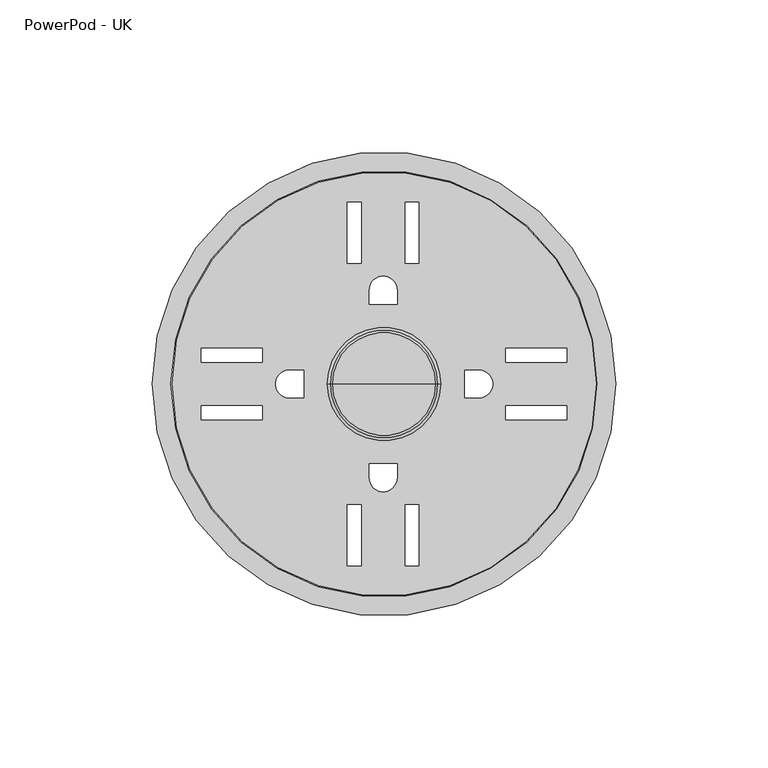
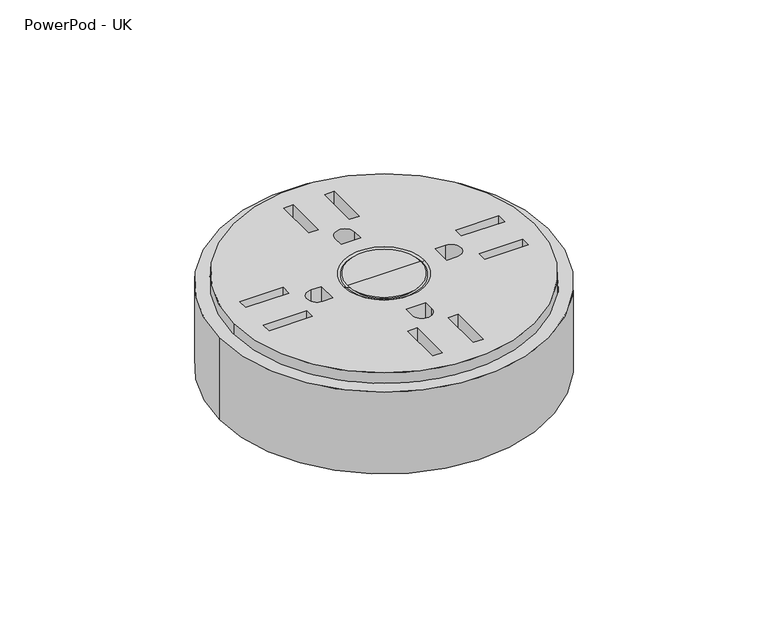
"""IFC4 building model written with IfcOpenShell, lengths in millimetres: furniture geometry, PowerPod - UK."""

from ifc_helpers import new_model, si_unit, point, frame, frame_2d, origin, place, context, project, spatial, polyline, circle_curve, ellipse_curve, trimmed, segment, composite_curve, outline, extrude, source, transform, mapped, element, save
from ifc_brep_helpers import plane_surface, cylinder_surface, revolved_surface, advanced_brep


def powerpod_uk_ea50888e(model_context):
    return source(origin(), model_context, "Body", "SolidModel", [
        advanced_brep(
        [(-87.0042842, 0.0, 57.882), (-226.3957158, 0.0, 57.882), (-196.6698501, -7.1864138, 57.882), (-196.6698501, -11.7386413, 57.882), (-216.7274522, -11.7386413, 57.882), (-216.7274522, -7.1864138, 57.882), (-196.6698501, 7.1864138, 57.882), (-216.7274522, 7.1864138, 57.882), (-216.7274522, 11.7386413, 57.882), (-196.6698501, 11.7386413, 57.882), (-187.8477203, 4.5522276, 57.882), (-183.1425754, 4.5522276, 57.882), (-183.1425754, -4.5522276, 57.882), (-187.8477203, -4.5522276, 57.882), (-96.6725478, -11.7386413, 57.882), (-116.7301499, -11.7386413, 57.882), (-116.7301499, -7.1864138, 57.882), (-96.6725478, -7.1864138, 57.882), (-96.6725478, 11.7386413, 57.882), (-96.6725478, 7.1864138, 57.882), (-116.7301499, 7.1864138, 57.882), (-116.7301499, 11.7386413, 57.882), (-130.2574246, -4.5522276, 57.882), (-130.2574246, 4.5522276, 57.882), (-125.5522797, 4.5522276, 57.882), (-125.5522797, -4.5522276, 57.882), (-149.8135862, 39.6698501, 57.882), (-149.8135862, 59.7274522, 57.882), (-145.2613587, 59.7274522, 57.882), (-145.2613587, 39.6698501, 57.882), (-164.1864138, 59.7274522, 57.882), (-164.1864138, 39.6698501, 57.882), (-168.7386413, 39.6698501, 57.882), (-168.7386413, 59.7274522, 57.882), (-161.5522276, 26.1425754, 57.882), (-161.5522276, 30.8477203, 57.882), (-152.4477724, 30.8477203, 57.882), (-152.4477724, 26.1425754, 57.882), (-145.2613587, -59.7274522, 57.882), (-149.8135862, -59.7274522, 57.882), (-149.8135862, -39.6698501, 57.882), (-145.2613587, -39.6698501, 57.882), (-168.7386413, -39.6698501, 57.882), (-164.1864138, -39.6698501, 57.882), (-164.1864138, -59.7274522, 57.882), (-168.7386413, -59.7274522, 57.882), (-152.4477724, -30.8477203, 57.882), (-161.5522276, -30.8477203, 57.882), (-161.5522276, -26.1425754, 57.882), (-152.4477724, -26.1425754, 57.882), (-175.3625231, 0.0, 57.882), (-138.0958971, 0.0, 57.882), (-87.0042842, 0.0, 12.882), (-226.3957158, 0.0, 12.882), (-196.6698501, -11.7386413, 12.882), (-196.6698501, -7.1864138, 12.882), (-216.7274522, -7.1864138, 12.882), (-216.7274522, -11.7386413, 12.882), (-216.7274522, 7.1864138, 12.882), (-196.6698501, 7.1864138, 12.882), (-196.6698501, 11.7386413, 12.882), (-216.7274522, 11.7386413, 12.882), (-183.1425754, 4.5522276, 12.882), (-187.8477203, 4.5522276, 12.882), (-187.8477203, -4.5522276, 12.882), (-183.1425754, -4.5522276, 12.882), (-116.7301499, -11.7386413, 12.882), (-96.6725478, -11.7386413, 12.882), (-96.6725478, -7.1864138, 12.882), (-116.7301499, -7.1864138, 12.882), (-96.6725478, 7.1864138, 12.882), (-96.6725478, 11.7386413, 12.882), (-116.7301499, 11.7386413, 12.882), (-116.7301499, 7.1864138, 12.882), (-130.2574246, 4.5522276, 12.882), (-130.2574246, -4.5522276, 12.882), (-125.5522797, -4.5522276, 12.882), (-125.5522797, 4.5522276, 12.882), (-149.8135862, 59.7274522, 12.882), (-149.8135862, 39.6698501, 12.882), (-145.2613587, 39.6698501, 12.882), (-145.2613587, 59.7274522, 12.882), (-164.1864138, 39.6698501, 12.882), (-164.1864138, 59.7274522, 12.882), (-168.7386413, 59.7274522, 12.882), (-168.7386413, 39.6698501, 12.882), (-161.5522276, 30.8477203, 12.882), (-161.5522276, 26.1425754, 12.882), (-152.4477724, 26.1425754, 12.882), (-152.4477724, 30.8477203, 12.882), (-149.8135862, -59.7274522, 12.882), (-145.2613587, -59.7274522, 12.882), (-145.2613587, -39.6698501, 12.882), (-149.8135862, -39.6698501, 12.882), (-164.1864138, -39.6698501, 12.882), (-168.7386413, -39.6698501, 12.882), (-168.7386413, -59.7274522, 12.882), (-164.1864138, -59.7274522, 12.882), (-161.5522276, -30.8477203, 12.882), (-152.4477724, -30.8477203, 12.882), (-152.4477724, -26.1425754, 12.882), (-161.5522276, -26.1425754, 12.882), (-138.9996885, 0.0, 57.3172485), (-174.4587318, 0.0, 57.3172485), (-172.868974, 0.0, 56.8613928), (-140.5894463, 0.0, 56.8613928), (-156.7292101, 0.0, 56.8613928)],
        [
            (0, 1, circle_curve(frame((-156.7, 0.0, 57.882), z_axis=(0.0, 0.0, 1.0), x_axis=(-1.0, 0.0, 0.0)), 69.6957158)),
            (1, 0, circle_curve(frame((-156.7, 0.0, 57.882), z_axis=(0.0, 0.0, 1.0), x_axis=(-1.0, 0.0, 0.0)), 69.6957158)),
            (2, 3),
            (3, 4),
            (4, 5),
            (5, 2),
            (6, 7),
            (7, 8),
            (8, 9),
            (9, 6),
            (10, 11),
            (11, 12),
            (12, 13),
            (13, 10, circle_curve(frame((-187.8477203, 0.0, 57.882), z_axis=(0.0, 0.0, -1.0), x_axis=(-1.0, 0.0, 0.0)), 4.5522276)),
            (14, 15),
            (15, 16),
            (16, 17),
            (17, 14),
            (18, 19),
            (19, 20),
            (20, 21),
            (21, 18),
            (22, 23),
            (23, 24),
            (24, 25, circle_curve(frame((-125.5522797, 0.0, 57.882), z_axis=(0.0, 0.0, -1.0), x_axis=(1.0, 0.0, 0.0)), 4.5522276)),
            (25, 22),
            (26, 27),
            (27, 28),
            (28, 29),
            (29, 26),
            (30, 31),
            (31, 32),
            (32, 33),
            (33, 30),
            (34, 35),
            (35, 36, circle_curve(frame((-157.0, 30.8477203, 57.882), z_axis=(0.0, 0.0, -1.0), x_axis=(0.0, 1.0, 0.0)), 4.5522276)),
            (36, 37),
            (37, 34),
            (38, 39),
            (39, 40),
            (40, 41),
            (41, 38),
            (42, 43),
            (43, 44),
            (44, 45),
            (45, 42),
            (46, 47, circle_curve(frame((-157.0, -30.8477203, 57.882), z_axis=(0.0, 0.0, -1.0), x_axis=(0.0, -1.0, 0.0)), 4.5522276)),
            (47, 48),
            (48, 49),
            (49, 46),
            (50, 51, circle_curve(frame((-156.7292101, 0.0, 57.882), z_axis=(0.0, 0.0, -1.0), x_axis=(-1.0, 0.0, 0.0)), 18.633313)),
            (51, 50, circle_curve(frame((-156.7292101, 0.0, 57.882), z_axis=(0.0, 0.0, -1.0), x_axis=(-1.0, 0.0, 0.0)), 18.633313)),
            (52, 53, circle_curve(frame((-156.7, 0.0, 12.882), z_axis=(0.0, 0.0, -1.0), x_axis=(-1.0, 0.0, 0.0)), 69.6957158)),
            (53, 52, circle_curve(frame((-156.7, 0.0, 12.882), z_axis=(0.0, 0.0, -1.0), x_axis=(-1.0, 0.0, 0.0)), 69.6957158)),
            (54, 55),
            (55, 56),
            (56, 57),
            (57, 54),
            (58, 59),
            (59, 60),
            (60, 61),
            (61, 58),
            (62, 63),
            (63, 64, circle_curve(frame((-187.8477203, 0.0, 12.882), z_axis=(0.0, 0.0, 1.0), x_axis=(-1.0, 0.0, 0.0)), 4.5522276)),
            (64, 65),
            (65, 62),
            (66, 67),
            (67, 68),
            (68, 69),
            (69, 66),
            (70, 71),
            (71, 72),
            (72, 73),
            (73, 70),
            (74, 75),
            (75, 76),
            (76, 77, circle_curve(frame((-125.5522797, 0.0, 12.882), z_axis=(0.0, 0.0, 1.0), x_axis=(1.0, 0.0, 0.0)), 4.5522276)),
            (77, 74),
            (78, 79),
            (79, 80),
            (80, 81),
            (81, 78),
            (82, 83),
            (83, 84),
            (84, 85),
            (85, 82),
            (86, 87),
            (87, 88),
            (88, 89),
            (89, 86, circle_curve(frame((-157.0, 30.8477203, 12.882), z_axis=(0.0, 0.0, 1.0), x_axis=(0.0, 1.0, 0.0)), 4.5522276)),
            (90, 91),
            (91, 92),
            (92, 93),
            (93, 90),
            (94, 95),
            (95, 96),
            (96, 97),
            (97, 94),
            (98, 99, circle_curve(frame((-157.0, -30.8477203, 12.882), z_axis=(0.0, 0.0, 1.0), x_axis=(0.0, -1.0, 0.0)), 4.5522276)),
            (99, 100),
            (100, 101),
            (101, 98),
            (0, 52),
            (53, 1),
            (54, 3),
            (2, 55),
            (5, 56),
            (4, 57),
            (58, 7),
            (6, 59),
            (9, 60),
            (8, 61),
            (62, 11),
            (10, 63),
            (13, 64),
            (12, 65),
            (66, 15),
            (14, 67),
            (17, 68),
            (16, 69),
            (70, 19),
            (18, 71),
            (21, 72),
            (20, 73),
            (74, 23),
            (22, 75),
            (25, 76),
            (24, 77),
            (78, 27),
            (26, 79),
            (29, 80),
            (28, 81),
            (82, 31),
            (30, 83),
            (33, 84),
            (32, 85),
            (86, 35),
            (34, 87),
            (37, 88),
            (36, 89),
            (90, 39),
            (38, 91),
            (41, 92),
            (40, 93),
            (94, 43),
            (42, 95),
            (45, 96),
            (44, 97),
            (98, 47),
            (46, 99),
            (49, 100),
            (48, 101),
            (102, 51),
            (50, 103),
            (103, 102, circle_curve(frame((-156.7292101, 0.0, 57.3172485), z_axis=(0.0, 0.0, -1.0), x_axis=(-1.0, 0.0, 0.0)), 17.7295216)),
            (102, 103, circle_curve(frame((-156.7292101, 0.0, 57.3172485), z_axis=(0.0, 0.0, -1.0), x_axis=(-1.0, 0.0, 0.0)), 17.7295216)),
            (103, 104, circle_curve(frame((-172.868974, 0.0, 59.8613928), z_axis=(0.0, -1.0, 0.0), x_axis=(1.0, 0.0, 0.0)), 3.0)),
            (104, 105, circle_curve(frame((-156.7292101, 0.0, 56.8613928), z_axis=(0.0, 0.0, -1.0), x_axis=(-1.0, 0.0, 0.0)), 16.1397638)),
            (105, 102, circle_curve(frame((-140.5894463, 0.0, 59.8613928), z_axis=(0.0, -1.0, 0.0), x_axis=(-1.0, 0.0, 0.0)), 3.0)),
            (105, 104, circle_curve(frame((-156.7292101, 0.0, 56.8613928), z_axis=(0.0, 0.0, -1.0), x_axis=(-1.0, 0.0, 0.0)), 16.1397638)),
            (104, 106),
            (106, 105),
        ],
        [
            plane_surface(frame((-226.3957158, 0.0, 57.882), z_axis=(0.0, 0.0, 1.0), x_axis=(0.0, -1.0, 0.0))),
            plane_surface(frame((-226.3957158, 0.0, 12.882), z_axis=(0.0, 0.0, -1.0), x_axis=(0.0, 1.0, 0.0))),
            cylinder_surface(frame((-156.7, 0.0, 12.882), z_axis=(0.0, 0.0, 1.0), x_axis=(-1.0, 0.0, 0.0)), 69.6957158),
            plane_surface(frame((-196.6698501, -11.7386413, 250.0), z_axis=(-1.0, 0.0, 0.0), x_axis=(0.0, 0.0, -1.0))),
            plane_surface(frame((-196.6698501, -7.1864138, 250.0), z_axis=(0.0, -1.0, 0.0), x_axis=(0.0, 0.0, -1.0))),
            plane_surface(frame((-216.7274522, -7.1864138, 250.0), z_axis=(1.0, 0.0, 0.0), x_axis=(0.0, 0.0, -1.0))),
            plane_surface(frame((-216.7274522, -11.7386413, 250.0), z_axis=(0.0, 1.0, 0.0), x_axis=(0.0, 0.0, -1.0))),
            plane_surface(frame((-216.7274522, 7.1864138, 250.0), z_axis=(0.0, 1.0, 0.0), x_axis=(0.0, 0.0, -1.0))),
            plane_surface(frame((-196.6698501, 7.1864138, 250.0), z_axis=(-1.0, 0.0, 0.0), x_axis=(0.0, 0.0, -1.0))),
            plane_surface(frame((-196.6698501, 11.7386413, 250.0), z_axis=(0.0, -1.0, 0.0), x_axis=(0.0, 0.0, -1.0))),
            plane_surface(frame((-216.7274522, 11.7386413, 250.0), z_axis=(1.0, 0.0, 0.0), x_axis=(0.0, 0.0, -1.0))),
            plane_surface(frame((-183.1425754, 4.5522276, 250.0), z_axis=(0.0, -1.0, 0.0), x_axis=(0.0, 0.0, -1.0))),
            revolved_surface(polyline([(-192.3999479, 0.0, 57.882), (-192.3999479, 0.0, 12.882)]), (-187.8477203, 0.0, 0.0), (0.0, 0.0, 1.0)),
            plane_surface(frame((-187.8477203, -4.5522276, 250.0), z_axis=(0.0, 1.0, 0.0), x_axis=(0.0, 0.0, -1.0))),
            plane_surface(frame((-183.1425754, -4.5522276, 250.0), z_axis=(-1.0, 0.0, 0.0), x_axis=(0.0, 0.0, -1.0))),
            plane_surface(frame((-116.7301499, -11.7386413, 250.0), z_axis=(0.0, 1.0, 0.0), x_axis=(0.0, 0.0, -1.0))),
            plane_surface(frame((-96.6725478, -11.7386413, 250.0), z_axis=(-1.0, 0.0, 0.0), x_axis=(0.0, 0.0, -1.0))),
            plane_surface(frame((-96.6725478, -7.1864138, 250.0), z_axis=(0.0, -1.0, 0.0), x_axis=(0.0, 0.0, -1.0))),
            plane_surface(frame((-116.7301499, -7.1864138, 250.0), z_axis=(1.0, 0.0, 0.0), x_axis=(0.0, 0.0, -1.0))),
            plane_surface(frame((-96.6725478, 7.1864138, 250.0), z_axis=(-1.0, 0.0, 0.0), x_axis=(0.0, 0.0, -1.0))),
            plane_surface(frame((-96.6725478, 11.7386413, 250.0), z_axis=(0.0, -1.0, 0.0), x_axis=(0.0, 0.0, -1.0))),
            plane_surface(frame((-116.7301499, 11.7386413, 250.0), z_axis=(1.0, 0.0, 0.0), x_axis=(0.0, 0.0, -1.0))),
            plane_surface(frame((-116.7301499, 7.1864138, 250.0), z_axis=(0.0, 1.0, 0.0), x_axis=(0.0, 0.0, -1.0))),
            plane_surface(frame((-130.2574246, 4.5522276, 250.0), z_axis=(1.0, 0.0, 0.0), x_axis=(0.0, 0.0, -1.0))),
            plane_surface(frame((-130.2574246, -4.5522276, 250.0), z_axis=(0.0, 1.0, 0.0), x_axis=(0.0, 0.0, -1.0))),
            revolved_surface(polyline([(-121.0000521, 0.0, 57.882), (-121.0000521, 0.0, 12.882)]), (-125.5522797, 0.0, 0.0), (0.0, 0.0, 1.0)),
            plane_surface(frame((-125.5522797, 4.5522276, 250.0), z_axis=(0.0, -1.0, 0.0), x_axis=(0.0, 0.0, -1.0))),
            plane_surface(frame((-149.8135862, 59.7274522, 250.0), z_axis=(1.0, 0.0, 0.0), x_axis=(0.0, 0.0, -1.0))),
            plane_surface(frame((-149.8135862, 39.6698501, 250.0), z_axis=(0.0, 1.0, 0.0), x_axis=(0.0, 0.0, -1.0))),
            plane_surface(frame((-145.2613587, 39.6698501, 250.0), z_axis=(-1.0, 0.0, 0.0), x_axis=(0.0, 0.0, -1.0))),
            plane_surface(frame((-145.2613587, 59.7274522, 250.0), z_axis=(0.0, -1.0, 0.0), x_axis=(0.0, 0.0, -1.0))),
            plane_surface(frame((-164.1864138, 39.6698501, 250.0), z_axis=(-1.0, 0.0, 0.0), x_axis=(0.0, 0.0, -1.0))),
            plane_surface(frame((-164.1864138, 59.7274522, 250.0), z_axis=(0.0, -1.0, 0.0), x_axis=(0.0, 0.0, -1.0))),
            plane_surface(frame((-168.7386413, 59.7274522, 250.0), z_axis=(1.0, 0.0, 0.0), x_axis=(0.0, 0.0, -1.0))),
            plane_surface(frame((-168.7386413, 39.6698501, 250.0), z_axis=(0.0, 1.0, 0.0), x_axis=(0.0, 0.0, -1.0))),
            plane_surface(frame((-161.5522276, 30.8477203, 250.0), z_axis=(1.0, 0.0, 0.0), x_axis=(0.0, 0.0, -1.0))),
            plane_surface(frame((-161.5522276, 26.1425754, 250.0), z_axis=(0.0, 1.0, 0.0), x_axis=(0.0, 0.0, -1.0))),
            plane_surface(frame((-152.4477724, 26.1425754, 250.0), z_axis=(-1.0, 0.0, 0.0), x_axis=(0.0, 0.0, -1.0))),
            revolved_surface(polyline([(-157.0, 35.3999479, 57.882), (-157.0, 35.3999479, 12.882)]), (-157.0, 30.8477203, 0.0), (0.0, 0.0, 1.0)),
            plane_surface(frame((-149.8135862, -59.7274522, 250.0), z_axis=(0.0, 1.0, 0.0), x_axis=(0.0, 0.0, -1.0))),
            plane_surface(frame((-145.2613587, -59.7274522, 250.0), z_axis=(-1.0, 0.0, 0.0), x_axis=(0.0, 0.0, -1.0))),
            plane_surface(frame((-145.2613587, -39.6698501, 250.0), z_axis=(0.0, -1.0, 0.0), x_axis=(0.0, 0.0, -1.0))),
            plane_surface(frame((-149.8135862, -39.6698501, 250.0), z_axis=(1.0, 0.0, 0.0), x_axis=(0.0, 0.0, -1.0))),
            plane_surface(frame((-164.1864138, -39.6698501, 250.0), z_axis=(0.0, -1.0, 0.0), x_axis=(0.0, 0.0, -1.0))),
            plane_surface(frame((-168.7386413, -39.6698501, 250.0), z_axis=(1.0, 0.0, 0.0), x_axis=(0.0, 0.0, -1.0))),
            plane_surface(frame((-168.7386413, -59.7274522, 250.0), z_axis=(0.0, 1.0, 0.0), x_axis=(0.0, 0.0, -1.0))),
            plane_surface(frame((-164.1864138, -59.7274522, 250.0), z_axis=(-1.0, 0.0, 0.0), x_axis=(0.0, 0.0, -1.0))),
            revolved_surface(polyline([(-157.0, -35.3999479, 57.882), (-157.0, -35.3999479, 12.882)]), (-157.0, -30.8477203, 0.0), (0.0, 0.0, 1.0)),
            plane_surface(frame((-152.4477724, -30.8477203, 250.0), z_axis=(-1.0, 0.0, 0.0), x_axis=(0.0, 0.0, -1.0))),
            plane_surface(frame((-152.4477724, -26.1425754, 250.0), z_axis=(0.0, -1.0, 0.0), x_axis=(0.0, 0.0, -1.0))),
            plane_surface(frame((-161.5522276, -26.1425754, 250.0), z_axis=(1.0, 0.0, 0.0), x_axis=(0.0, 0.0, -1.0))),
            revolved_surface(polyline([(-174.4587318, 0.0, 57.3172485), (-175.3625231, 0.0, 57.882)]), (-156.7292101, 0.0, 57.882), (0.0, 0.0, -1.0)),
            revolved_surface(trimmed(ellipse_curve(frame((-172.868974, 0.0, 59.8613928), z_axis=(0.0, 1.0, 0.0), x_axis=(1.0, 0.0, 0.0)), 3.0, 3.0), [point((-172.868974, 0.0, 56.8613928))], [point((-174.4587318, 0.0, 57.3172485))], True, "CARTESIAN"), (-156.7292101, 0.0, 57.882), (0.0, 0.0, -1.0)),
            plane_surface(frame((-156.7292101, 0.0, 56.8613928), z_axis=(0.0, 0.0, 1.0), x_axis=(-1.0, 0.0, 0.0))),
        ],
        [
            (0, [[1, 2], [3, 4, 5, 6], [7, 8, 9, 10], [11, 12, 13, 14], [15, 16, 17, 18], [19, 20, 21, 22], [23, 24, 25, 26], [27, 28, 29, 30], [31, 32, 33, 34], [35, 36, 37, 38], [39, 40, 41, 42], [43, 44, 45, 46], [47, 48, 49, 50], [51, 52]]),
            (1, [[53, 54], [55, 56, 57, 58], [59, 60, 61, 62], [63, 64, 65, 66], [67, 68, 69, 70], [71, 72, 73, 74], [75, 76, 77, 78], [79, 80, 81, 82], [83, 84, 85, 86], [87, 88, 89, 90], [91, 92, 93, 94], [95, 96, 97, 98], [99, 100, 101, 102]]),
            (2, [[-1, 103, -54, 104]]),
            (2, [[-2, -104, -53, -103]]),
            (3, [[105, -3, 106, -55]]),
            (4, [[-106, -6, 107, -56]]),
            (5, [[-107, -5, 108, -57]]),
            (6, [[-105, -58, -108, -4]]),
            (7, [[109, -7, 110, -59]]),
            (8, [[-110, -10, 111, -60]]),
            (9, [[-111, -9, 112, -61]]),
            (10, [[-109, -62, -112, -8]]),
            (11, [[113, -11, 114, -63]]),
            (12, [[-114, -14, 115, -64]]),
            (13, [[-115, -13, 116, -65]]),
            (14, [[-113, -66, -116, -12]]),
            (15, [[117, -15, 118, -67]]),
            (16, [[-118, -18, 119, -68]]),
            (17, [[-119, -17, 120, -69]]),
            (18, [[-117, -70, -120, -16]]),
            (19, [[121, -19, 122, -71]]),
            (20, [[-122, -22, 123, -72]]),
            (21, [[-123, -21, 124, -73]]),
            (22, [[-121, -74, -124, -20]]),
            (23, [[125, -23, 126, -75]]),
            (24, [[-126, -26, 127, -76]]),
            (25, [[-127, -25, 128, -77]]),
            (26, [[-125, -78, -128, -24]]),
            (27, [[129, -27, 130, -79]]),
            (28, [[-130, -30, 131, -80]]),
            (29, [[-131, -29, 132, -81]]),
            (30, [[-129, -82, -132, -28]]),
            (31, [[133, -31, 134, -83]]),
            (32, [[-134, -34, 135, -84]]),
            (33, [[-135, -33, 136, -85]]),
            (34, [[-133, -86, -136, -32]]),
            (35, [[137, -35, 138, -87]]),
            (36, [[-138, -38, 139, -88]]),
            (37, [[-139, -37, 140, -89]]),
            (38, [[-137, -90, -140, -36]]),
            (39, [[141, -39, 142, -91]]),
            (40, [[-142, -42, 143, -92]]),
            (41, [[-143, -41, 144, -93]]),
            (42, [[-141, -94, -144, -40]]),
            (43, [[145, -43, 146, -95]]),
            (44, [[-146, -46, 147, -96]]),
            (45, [[-147, -45, 148, -97]]),
            (46, [[-145, -98, -148, -44]]),
            (47, [[149, -47, 150, -99]]),
            (48, [[-150, -50, 151, -100]]),
            (49, [[-151, -49, 152, -101]]),
            (50, [[-149, -102, -152, -48]]),
            (51, [[153, -51, 154, 155]]),
            (51, [[-153, 156, -154, -52]]),
            (52, [[-155, 157, 158, 159]]),
            (52, [[-156, -159, 160, -157]]),
            (53, [[-158, 161, 162]]),
            (53, [[-160, -162, -161]]),
        ],
    ),
        advanced_brep(
        [(-141.7657294, 0.0, 56.8692531), (-171.6926908, 0.0, 56.8692531), (-173.611355, 0.0, 57.882), (-139.8470653, 0.0, 57.882), (-156.7292101, 0.0, 56.8692531), (-156.7292101, 0.0, 57.882)],
        [
            (0, 1, circle_curve(frame((-156.7292101, 0.0, 56.8692531), z_axis=(0.0, 0.0, 1.0), x_axis=(-1.0, 0.0, 0.0)), 14.9634807)),
            (1, 2),
            (2, 3, circle_curve(frame((-156.7292101, 0.0, 57.882), z_axis=(0.0, 0.0, -1.0), x_axis=(-1.0, 0.0, 0.0)), 16.8821448)),
            (3, 0),
            (1, 0, circle_curve(frame((-156.7292101, 0.0, 56.8692531), z_axis=(0.0, 0.0, 1.0), x_axis=(-1.0, 0.0, 0.0)), 14.9634807)),
            (3, 2, circle_curve(frame((-156.7292101, 0.0, 57.882), z_axis=(0.0, 0.0, -1.0), x_axis=(-1.0, 0.0, 0.0)), 16.8821448)),
            (4, 1),
            (0, 4),
            (2, 5),
            (5, 3),
        ],
        [
            revolved_surface(polyline([(-173.611355, 0.0, 57.882), (-171.6926908, 0.0, 56.8692531)]), (-156.7292101, 0.0, 57.882), (0.0, 0.0, -1.0)),
            plane_surface(frame((-156.7292101, 0.0, 56.8692531), z_axis=(0.0, 0.0, -1.0), x_axis=(-1.0, 0.0, 0.0))),
            plane_surface(frame((-156.7292101, 0.0, 57.882), z_axis=(0.0, 0.0, 1.0), x_axis=(-1.0, 0.0, 0.0))),
        ],
        [
            (0, [[1, 2, 3, 4]]),
            (0, [[5, -4, 6, -2]]),
            (1, [[7, -1, 8]]),
            (1, [[-8, -5, -7]]),
            (2, [[-3, 9, 10]]),
            (2, [[-6, -10, -9]]),
        ],
    ),
        extrude(outline(composite_curve([segment(trimmed(circle_curve(frame_2d((-156.7292101, 0.0)), 76.2), [point((-232.9292101, 0.0))], [point((-80.5292101, 0.0))], False, "CARTESIAN"), True, "CONTINUOUS"), segment(trimmed(circle_curve(frame_2d((-156.7292101, 0.0)), 76.2), [point((-80.5292101, 0.0))], [point((-232.9292101, 0.0))], False, "CARTESIAN"), True, "CONTINUOUS")], self_intersect=False), holes=[composite_curve([segment(trimmed(circle_curve(frame_2d((-156.7292101, 0.0)), 70.0), [point((-226.7292101, 0.0))], [point((-86.7292101, 0.0))], True, "CARTESIAN"), True, "CONTINUOUS"), segment(trimmed(circle_curve(frame_2d((-156.7292101, 0.0)), 70.0), [point((-86.7292101, 0.0))], [point((-226.7292101, 0.0))], True, "CARTESIAN"), True, "CONTINUOUS")], self_intersect=False)]), frame((0.0, 0.0, 12.882), z_axis=(0.0, 0.0, 1.0), x_axis=(1.0, 0.0, 0.0)), (0.0, 0.0, 1.0), 40.1444864),
    ])


if __name__ == "__main__":
    model = new_model("IFC4")
    model_context = context("Model", 3, world=origin())
    ifc_project = project(units=[si_unit("LENGTHUNIT", "METRE", prefix="MILLI")], contexts=[model_context])
    site = spatial("IfcSite", under=ifc_project)
    building = spatial("IfcBuilding", under=site)
    placement = place(None, origin())
    powerpod_uk_shape = powerpod_uk_ea50888e(model_context)
    element("IfcFurniture", 1, ObjectType="PowerPod - UK", at=placement, inside=building, context=model_context, shape_type="MappedRepresentation", body=[
        mapped(powerpod_uk_shape, transform((0.0, 0.0, 0.0), x_axis=(1.0, 0.0, 0.0), y_axis=(0.0, 1.0, 0.0), z_axis=(0.0, 0.0, 1.0))),
    ])
    save(model, "model.ifc")
